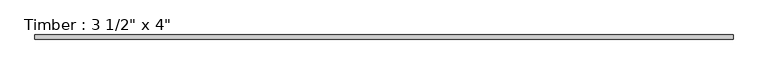
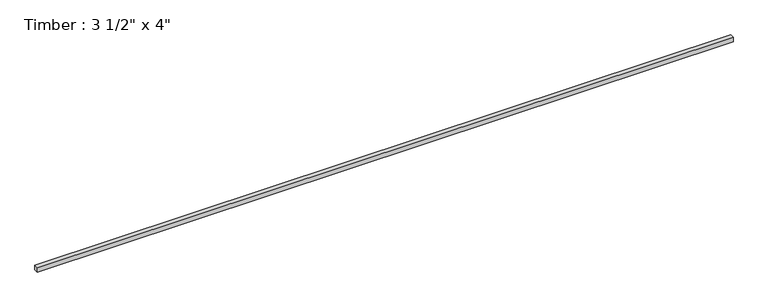
"""IFC4 building model written with IfcOpenShell, lengths in millimetres: beam geometry."""

import ifcopenshell
import ifcopenshell.guid

model = None  # the IFC model being written
_history = None  # IfcOwnerHistory: only IFC2X3 demands one
_inside = {}  # id of a spatial element -> (the spatial element, [elements in it])
_under = {}  # id of a project, library or spatial element -> (it, [spatial elements below it])
_declared = {}  # id of a project -> (the project, [libraries it declares])
_typed = {}  # id of a type object -> (the type object, [elements of that type])
_made_of = {}  # id of a material, layer set ... -> (it, [elements and type objects made of it])


def new_model(schema):
    """Start an empty IFC model of exactly this schema.

    Asked for "IFC4X3", IfcOpenShell would pick the latest addendum, in which some entities
    have other attributes; the version numbers below select the first issue.
    IFC2X3 requires an IfcOwnerHistory on every rooted entity: one is made here for all.
    """
    global model, _history
    if schema == "IFC4X3":
        model = ifcopenshell.file(schema_version=(4, 3, 0, 0))
    else:
        model = ifcopenshell.file(schema=schema)
    _inside.clear()
    _under.clear()
    _declared.clear()
    _typed.clear()
    _made_of.clear()
    _history = None
    if model.schema == "IFC2X3":
        org = make("IfcOrganization", Name="unknown")
        user = make(
            "IfcPersonAndOrganization",
            ThePerson=make("IfcPerson", FamilyName="unknown"),
            TheOrganization=org,
        )
        app = make(
            "IfcApplication",
            ApplicationDeveloper=org,
            Version="unknown",
            ApplicationFullName="unknown",
            ApplicationIdentifier="unknown",
        )
        _history = make(
            "IfcOwnerHistory",
            OwningUser=user,
            OwningApplication=app,
            ChangeAction="ADDED",
            CreationDate=0,
        )
    return model


def make(cls, **values):
    """One entity of the class cls with the attributes given. An attribute that is None is left unset."""
    return model.create_entity(
        cls, **{name: value for name, value in values.items() if value is not None}
    )


def rooted(cls, **values):
    """An entity with a GlobalId (a new one), such as an element, a storey or a relation."""
    return make(cls, GlobalId=ifcopenshell.guid.new(), OwnerHistory=_history, **values)


def si_unit(unit_type, name, prefix=None):
    """IfcSIUnit, for example si_unit("LENGTHUNIT", "METRE", prefix="MILLI")."""
    return make("IfcSIUnit", UnitType=unit_type, Prefix=prefix, Name=name)


def assignment(units):
    """IfcUnitAssignment: the units of a project."""
    return None if units is None else make("IfcUnitAssignment", Units=units)


def point(xyz):
    """IfcCartesianPoint."""
    return None if xyz is None else make("IfcCartesianPoint", Coordinates=xyz)


def direction(xyz):
    """IfcDirection."""
    return None if xyz is None else make("IfcDirection", DirectionRatios=xyz)


def frame(location, z_axis=None, x_axis=None):
    """IfcAxis2Placement3D, a coordinate frame: its origin and axes. An axis left out is left unset."""
    return make(
        "IfcAxis2Placement3D",
        Location=point(location),
        Axis=direction(z_axis),
        RefDirection=direction(x_axis),
    )


def origin():
    """The frame at (0, 0, 0) with its axes left unset."""
    return frame((0.0, 0.0, 0.0))


def place(relative_to, where):
    """IfcLocalPlacement: puts the frame where relative to a parent placement (None: the world)."""
    return make(
        "IfcLocalPlacement", PlacementRelTo=relative_to, RelativePlacement=where
    )


def context(
    kind, dimensions, precision=None, world=None, true_north=None, identifier=None
):
    """IfcGeometricRepresentationContext, for example the 3D "Model" context."""
    return make(
        "IfcGeometricRepresentationContext",
        ContextIdentifier=identifier,
        ContextType=kind,
        CoordinateSpaceDimension=dimensions,
        Precision=precision,
        WorldCoordinateSystem=world,
        TrueNorth=true_north,
    )


def project(units=None, contexts=None):
    """IfcProject with its units and contexts."""
    return rooted(
        "IfcProject",
        Name="project",
        RepresentationContexts=contexts,
        UnitsInContext=assignment(units),
    )


def spatial(cls, under=None, at=None, **own):
    """A site, building, storey or space (cls), placed at a placement, below another one or the project."""
    s = rooted(cls, ObjectPlacement=at, **own)
    if under is not None:
        _under.setdefault(under.id(), (under, []))[1].append(s)
    return s


def polyline(points):
    """IfcPolyline through the points."""
    return make("IfcPolyline", Points=[point(p) for p in points])


def outline(outer, holes=None, kind="AREA"):
    """IfcArbitraryClosedProfileDef: a profile drawn as a closed curve; with holes, ...WithVoids."""
    if holes is None:
        return make("IfcArbitraryClosedProfileDef", ProfileType=kind, OuterCurve=outer)
    return make(
        "IfcArbitraryProfileDefWithVoids",
        ProfileType=kind,
        OuterCurve=outer,
        InnerCurves=holes,
    )


def extrude(swept, where, along, depth):
    """IfcExtrudedAreaSolid: the profile swept, set in the frame where, extruded along a direction by depth."""
    return make(
        "IfcExtrudedAreaSolid",
        SweptArea=swept,
        Position=where,
        ExtrudedDirection=direction(along),
        Depth=depth,
    )


def shape(context_of_items, identifier, shape_type, items):
    """IfcShapeRepresentation: the items that make up one representation, for example the "Body"."""
    return make(
        "IfcShapeRepresentation",
        ContextOfItems=context_of_items,
        RepresentationIdentifier=identifier,
        RepresentationType=shape_type,
        Items=items,
    )


def source(mapping_origin, context_of_items, identifier, shape_type, items):
    """IfcRepresentationMap: a shape defined once, which mapped items show again and again."""
    return make(
        "IfcRepresentationMap",
        MappingOrigin=mapping_origin,
        MappedRepresentation=shape(context_of_items, identifier, shape_type, items),
    )


def transform(
    local_origin,
    x_axis=None,
    y_axis=None,
    z_axis=None,
    scale=None,
    scale2=None,
    scale3=None,
    uniform=True,
):
    """IfcCartesianTransformationOperator3D, or its non-uniform kind. x_axis, y_axis, z_axis: its Axis1, 2, 3."""
    if uniform:
        return make(
            "IfcCartesianTransformationOperator3D",
            Axis1=direction(x_axis),
            Axis2=direction(y_axis),
            LocalOrigin=point(local_origin),
            Scale=scale,
            Axis3=direction(z_axis),
        )
    return make(
        "IfcCartesianTransformationOperator3DnonUniform",
        Axis1=direction(x_axis),
        Axis2=direction(y_axis),
        LocalOrigin=point(local_origin),
        Scale=scale,
        Axis3=direction(z_axis),
        Scale2=scale2,
        Scale3=scale3,
    )


def mapped(mapping_source, mapping_target):
    """IfcMappedItem: shows the shape of a source again, moved by a transform."""
    return make(
        "IfcMappedItem", MappingSource=mapping_source, MappingTarget=mapping_target
    )


def made_of(thing, what):
    """Note that an element or type object is made of a material, layer set ...; save() writes the relation."""
    if what is not None:
        _made_of.setdefault(what.id(), (what, []))[1].append(thing)
    return thing


def element(
    cls,
    number,
    at=None,
    inside=None,
    cuts=None,
    type_object=None,
    material=None,
    context=None,
    identifier="Body",
    shape_type=None,
    held_by="IfcProductDefinitionShape",
    body=None,
    shapes=None,
    **own,
):
    """One element of the class cls, such as IfcWall. Its Tag is "e" and its number.

    at: its placement. inside: the storey or other place that contains it. cuts: it is an
    opening in that element (IfcRelVoidsElement). A single representation is given by context,
    identifier, shape_type and body (its items); several are given by shapes. held_by: the class
    of the entity that holds the representations. save() writes the other relations.
    """
    e = rooted(cls, Tag="e%d" % number, ObjectPlacement=at, **own)
    if body is not None:
        shapes = [shape(context, identifier, shape_type, body)]
    if shapes is not None:
        e.Representation = make(held_by, Representations=shapes)
    if inside is not None:
        _inside.setdefault(inside.id(), (inside, []))[1].append(e)
    if cuts is not None:
        rooted(
            "IfcRelVoidsElement", RelatingBuildingElement=cuts, RelatedOpeningElement=e
        )
    if type_object is not None:
        _typed.setdefault(type_object.id(), (type_object, []))[1].append(e)
    return made_of(e, material)


def aggregate(whole, parts):
    """IfcRelAggregates: a whole, such as a stair, and the parts it consists of."""
    return rooted("IfcRelAggregates", RelatingObject=whole, RelatedObjects=parts)


def save(model, path):
    """Write the relations noted so far, then the file.

    IfcRelAggregates (storeys below a building ...), IfcRelContainedInSpatialStructure (elements
    in a storey), IfcRelDefinesByType, IfcRelAssociatesMaterial and IfcRelDeclares: one each for
    every whole, place, type object, material and project.
    """
    for whole, parts in _under.values():
        aggregate(whole, parts)
    for where, things in _inside.values():
        rooted(
            "IfcRelContainedInSpatialStructure",
            RelatedElements=things,
            RelatingStructure=where,
        )
    for kind, things in _typed.values():
        rooted("IfcRelDefinesByType", RelatedObjects=things, RelatingType=kind)
    for what, things in _made_of.values():
        rooted("IfcRelAssociatesMaterial", RelatedObjects=things, RelatingMaterial=what)
    for by, libraries in _declared.values():
        rooted("IfcRelDeclares", RelatingContext=by, RelatedDefinitions=libraries)
    model.write(path)


def beam_50ab13b5(model_context):
    return source(origin(), model_context, "Body", "SweptSolid", [
        extrude(outline(polyline([(7578.3931869, 44.45), (7578.3931869, -44.45), (-7578.3931869, -44.45), (-7578.3931869, 44.45), (7578.3931869, 44.45)])), frame((0.0, 0.0, -50.8), z_axis=(0.0, 0.0, 1.0), x_axis=(1.0, 0.0, 0.0)), (0.0, 0.0, 1.0), 101.6),
    ])


if __name__ == "__main__":
    model = new_model("IFC4")
    model_context = context("Model", 3, world=origin())
    ifc_project = project(units=[si_unit("LENGTHUNIT", "METRE", prefix="MILLI")], contexts=[model_context])
    site = spatial("IfcSite", under=ifc_project)
    building = spatial("IfcBuilding", under=site)
    placement = place(None, origin())
    beam_shape = beam_50ab13b5(model_context)
    element("IfcBeam", 1, ObjectType="Timber : 3 1/2\" x 4\"", at=placement, inside=building, context=model_context, shape_type="MappedRepresentation", body=[
        mapped(beam_shape, transform((0.0, 0.0, 0.0), x_axis=(1.0, 0.0, 0.0), y_axis=(0.0, 1.0, 0.0), z_axis=(0.0, 0.0, 1.0))),
    ])
    save(model, "model.ifc")
